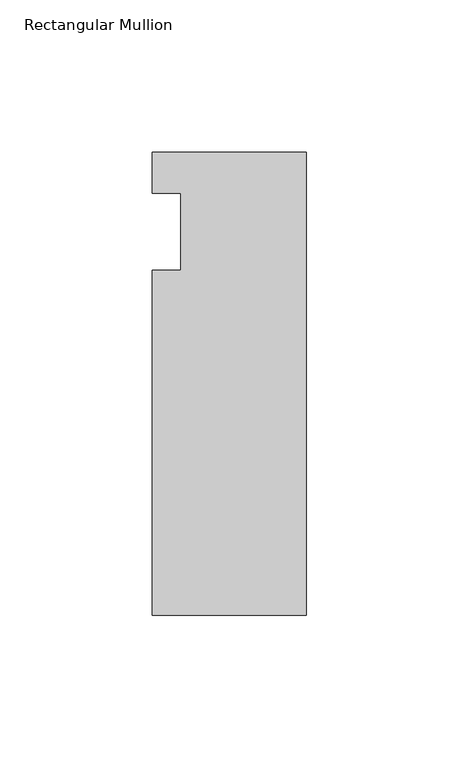
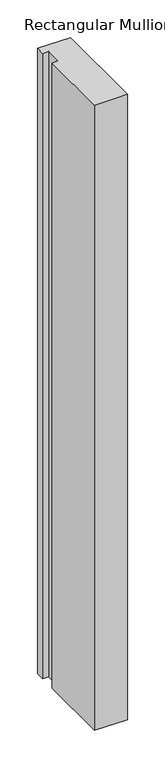
"""IFC4 building model written with IfcOpenShell, lengths in millimetres: member geometry, Rectangular Mullion."""

import ifcopenshell
import ifcopenshell.guid

model = None  # the IFC model being written
_history = None  # IfcOwnerHistory: only IFC2X3 demands one
_inside = {}  # id of a spatial element -> (the spatial element, [elements in it])
_under = {}  # id of a project, library or spatial element -> (it, [spatial elements below it])
_declared = {}  # id of a project -> (the project, [libraries it declares])
_typed = {}  # id of a type object -> (the type object, [elements of that type])
_made_of = {}  # id of a material, layer set ... -> (it, [elements and type objects made of it])


def new_model(schema):
    """Start an empty IFC model of exactly this schema.

    Asked for "IFC4X3", IfcOpenShell would pick the latest addendum, in which some entities
    have other attributes; the version numbers below select the first issue.
    IFC2X3 requires an IfcOwnerHistory on every rooted entity: one is made here for all.
    """
    global model, _history
    if schema == "IFC4X3":
        model = ifcopenshell.file(schema_version=(4, 3, 0, 0))
    else:
        model = ifcopenshell.file(schema=schema)
    _inside.clear()
    _under.clear()
    _declared.clear()
    _typed.clear()
    _made_of.clear()
    _history = None
    if model.schema == "IFC2X3":
        org = make("IfcOrganization", Name="unknown")
        user = make(
            "IfcPersonAndOrganization",
            ThePerson=make("IfcPerson", FamilyName="unknown"),
            TheOrganization=org,
        )
        app = make(
            "IfcApplication",
            ApplicationDeveloper=org,
            Version="unknown",
            ApplicationFullName="unknown",
            ApplicationIdentifier="unknown",
        )
        _history = make(
            "IfcOwnerHistory",
            OwningUser=user,
            OwningApplication=app,
            ChangeAction="ADDED",
            CreationDate=0,
        )
    return model


def make(cls, **values):
    """One entity of the class cls with the attributes given. An attribute that is None is left unset."""
    return model.create_entity(
        cls, **{name: value for name, value in values.items() if value is not None}
    )


def rooted(cls, **values):
    """An entity with a GlobalId (a new one), such as an element, a storey or a relation."""
    return make(cls, GlobalId=ifcopenshell.guid.new(), OwnerHistory=_history, **values)


def si_unit(unit_type, name, prefix=None):
    """IfcSIUnit, for example si_unit("LENGTHUNIT", "METRE", prefix="MILLI")."""
    return make("IfcSIUnit", UnitType=unit_type, Prefix=prefix, Name=name)


def assignment(units):
    """IfcUnitAssignment: the units of a project."""
    return None if units is None else make("IfcUnitAssignment", Units=units)


def point(xyz):
    """IfcCartesianPoint."""
    return None if xyz is None else make("IfcCartesianPoint", Coordinates=xyz)


def direction(xyz):
    """IfcDirection."""
    return None if xyz is None else make("IfcDirection", DirectionRatios=xyz)


def frame(location, z_axis=None, x_axis=None):
    """IfcAxis2Placement3D, a coordinate frame: its origin and axes. An axis left out is left unset."""
    return make(
        "IfcAxis2Placement3D",
        Location=point(location),
        Axis=direction(z_axis),
        RefDirection=direction(x_axis),
    )


def origin():
    """The frame at (0, 0, 0) with its axes left unset."""
    return frame((0.0, 0.0, 0.0))


def place(relative_to, where):
    """IfcLocalPlacement: puts the frame where relative to a parent placement (None: the world)."""
    return make(
        "IfcLocalPlacement", PlacementRelTo=relative_to, RelativePlacement=where
    )


def context(
    kind, dimensions, precision=None, world=None, true_north=None, identifier=None
):
    """IfcGeometricRepresentationContext, for example the 3D "Model" context."""
    return make(
        "IfcGeometricRepresentationContext",
        ContextIdentifier=identifier,
        ContextType=kind,
        CoordinateSpaceDimension=dimensions,
        Precision=precision,
        WorldCoordinateSystem=world,
        TrueNorth=true_north,
    )


def project(units=None, contexts=None):
    """IfcProject with its units and contexts."""
    return rooted(
        "IfcProject",
        Name="project",
        RepresentationContexts=contexts,
        UnitsInContext=assignment(units),
    )


def spatial(cls, under=None, at=None, **own):
    """A site, building, storey or space (cls), placed at a placement, below another one or the project."""
    s = rooted(cls, ObjectPlacement=at, **own)
    if under is not None:
        _under.setdefault(under.id(), (under, []))[1].append(s)
    return s


def polyline(points):
    """IfcPolyline through the points."""
    return make("IfcPolyline", Points=[point(p) for p in points])


def outline(outer, holes=None, kind="AREA"):
    """IfcArbitraryClosedProfileDef: a profile drawn as a closed curve; with holes, ...WithVoids."""
    if holes is None:
        return make("IfcArbitraryClosedProfileDef", ProfileType=kind, OuterCurve=outer)
    return make(
        "IfcArbitraryProfileDefWithVoids",
        ProfileType=kind,
        OuterCurve=outer,
        InnerCurves=holes,
    )


def extrude(swept, where, along, depth):
    """IfcExtrudedAreaSolid: the profile swept, set in the frame where, extruded along a direction by depth."""
    return make(
        "IfcExtrudedAreaSolid",
        SweptArea=swept,
        Position=where,
        ExtrudedDirection=direction(along),
        Depth=depth,
    )


def shape(context_of_items, identifier, shape_type, items):
    """IfcShapeRepresentation: the items that make up one representation, for example the "Body"."""
    return make(
        "IfcShapeRepresentation",
        ContextOfItems=context_of_items,
        RepresentationIdentifier=identifier,
        RepresentationType=shape_type,
        Items=items,
    )


def source(mapping_origin, context_of_items, identifier, shape_type, items):
    """IfcRepresentationMap: a shape defined once, which mapped items show again and again."""
    return make(
        "IfcRepresentationMap",
        MappingOrigin=mapping_origin,
        MappedRepresentation=shape(context_of_items, identifier, shape_type, items),
    )


def transform(
    local_origin,
    x_axis=None,
    y_axis=None,
    z_axis=None,
    scale=None,
    scale2=None,
    scale3=None,
    uniform=True,
):
    """IfcCartesianTransformationOperator3D, or its non-uniform kind. x_axis, y_axis, z_axis: its Axis1, 2, 3."""
    if uniform:
        return make(
            "IfcCartesianTransformationOperator3D",
            Axis1=direction(x_axis),
            Axis2=direction(y_axis),
            LocalOrigin=point(local_origin),
            Scale=scale,
            Axis3=direction(z_axis),
        )
    return make(
        "IfcCartesianTransformationOperator3DnonUniform",
        Axis1=direction(x_axis),
        Axis2=direction(y_axis),
        LocalOrigin=point(local_origin),
        Scale=scale,
        Axis3=direction(z_axis),
        Scale2=scale2,
        Scale3=scale3,
    )


def mapped(mapping_source, mapping_target):
    """IfcMappedItem: shows the shape of a source again, moved by a transform."""
    return make(
        "IfcMappedItem", MappingSource=mapping_source, MappingTarget=mapping_target
    )


def made_of(thing, what):
    """Note that an element or type object is made of a material, layer set ...; save() writes the relation."""
    if what is not None:
        _made_of.setdefault(what.id(), (what, []))[1].append(thing)
    return thing


def element(
    cls,
    number,
    at=None,
    inside=None,
    cuts=None,
    type_object=None,
    material=None,
    context=None,
    identifier="Body",
    shape_type=None,
    held_by="IfcProductDefinitionShape",
    body=None,
    shapes=None,
    **own,
):
    """One element of the class cls, such as IfcWall. Its Tag is "e" and its number.

    at: its placement. inside: the storey or other place that contains it. cuts: it is an
    opening in that element (IfcRelVoidsElement). A single representation is given by context,
    identifier, shape_type and body (its items); several are given by shapes. held_by: the class
    of the entity that holds the representations. save() writes the other relations.
    """
    e = rooted(cls, Tag="e%d" % number, ObjectPlacement=at, **own)
    if body is not None:
        shapes = [shape(context, identifier, shape_type, body)]
    if shapes is not None:
        e.Representation = make(held_by, Representations=shapes)
    if inside is not None:
        _inside.setdefault(inside.id(), (inside, []))[1].append(e)
    if cuts is not None:
        rooted(
            "IfcRelVoidsElement", RelatingBuildingElement=cuts, RelatedOpeningElement=e
        )
    if type_object is not None:
        _typed.setdefault(type_object.id(), (type_object, []))[1].append(e)
    return made_of(e, material)


def aggregate(whole, parts):
    """IfcRelAggregates: a whole, such as a stair, and the parts it consists of."""
    return rooted("IfcRelAggregates", RelatingObject=whole, RelatedObjects=parts)


def save(model, path):
    """Write the relations noted so far, then the file.

    IfcRelAggregates (storeys below a building ...), IfcRelContainedInSpatialStructure (elements
    in a storey), IfcRelDefinesByType, IfcRelAssociatesMaterial and IfcRelDeclares: one each for
    every whole, place, type object, material and project.
    """
    for whole, parts in _under.values():
        aggregate(whole, parts)
    for where, things in _inside.values():
        rooted(
            "IfcRelContainedInSpatialStructure",
            RelatedElements=things,
            RelatingStructure=where,
        )
    for kind, things in _typed.values():
        rooted("IfcRelDefinesByType", RelatedObjects=things, RelatingType=kind)
    for what, things in _made_of.values():
        rooted("IfcRelAssociatesMaterial", RelatedObjects=things, RelatingMaterial=what)
    for by, libraries in _declared.values():
        rooted("IfcRelDeclares", RelatingContext=by, RelatedDefinitions=libraries)
    model.write(path)


def rectangular_mullion_1bf827b8(model_context):
    return source(origin(), model_context, "Body", "SweptSolid", [
        extrude(outline(polyline([(-50.8, 26.19375), (0.0, 26.19375), (0.0, -126.20625), (-50.8, -126.20625), (-50.8, -12.7), (-41.275, -12.7), (-41.275, 12.7), (-50.8, 12.7), (-50.8, 26.19375)])), frame((0.0, 0.0, -1016.0), z_axis=(0.0, 0.0, 1.0), x_axis=(1.0, 0.0, 0.0)), (0.0, 0.0, 1.0), 1016.0),
    ])


if __name__ == "__main__":
    model = new_model("IFC4")
    model_context = context("Model", 3, world=origin())
    ifc_project = project(units=[si_unit("LENGTHUNIT", "METRE", prefix="MILLI")], contexts=[model_context])
    site = spatial("IfcSite", under=ifc_project)
    building = spatial("IfcBuilding", under=site)
    placement = place(None, origin())
    rectangular_mullion_shape = rectangular_mullion_1bf827b8(model_context)
    element("IfcMember", 1, ObjectType="Rectangular Mullion", at=placement, inside=building, context=model_context, shape_type="MappedRepresentation", body=[
        mapped(rectangular_mullion_shape, transform((0.0, 0.0, 0.0), x_axis=(1.0, 0.0, 0.0), y_axis=(0.0, 1.0, 0.0), z_axis=(0.0, 0.0, 1.0))),
    ])
    save(model, "model.ifc")
